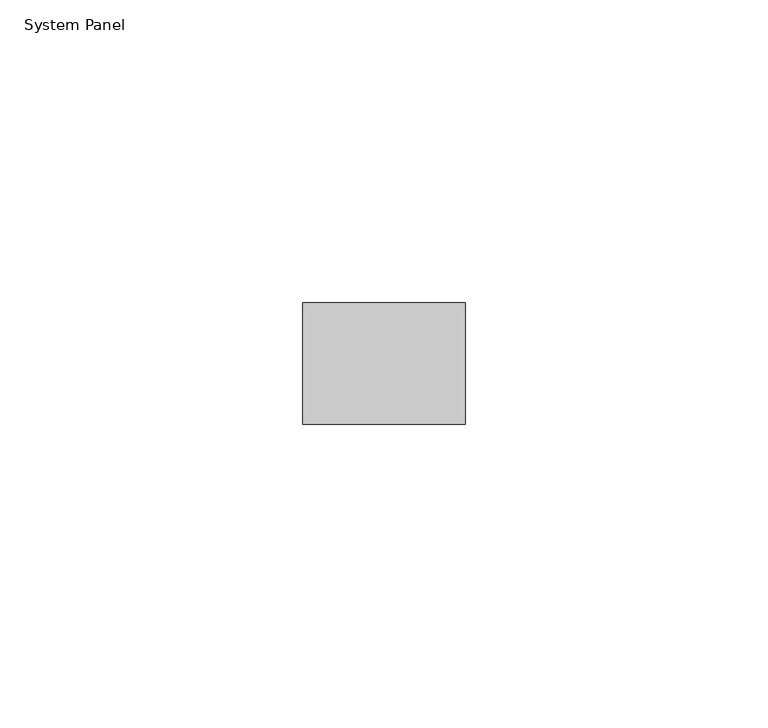
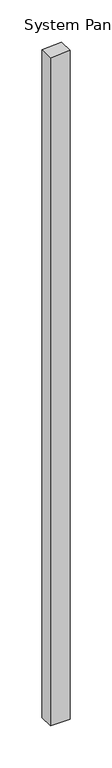
"""IFC4 building model written with IfcOpenShell, lengths in millimetres: plate geometry, System Panel."""

from ifc_helpers import new_model, si_unit, frame, origin, place, context, project, spatial, polyline, outline, extrude, source, transform, mapped, element, save


def system_panel_7bc6e373(model_context):
    return source(origin(), model_context, "Body", "SweptSolid", [
        extrude(outline(polyline([(0.0, -13.3892805), (0.0, 13.3892805), (969.8626085, 13.3892805), (967.8915769, -13.3892805), (0.0, -13.3892805)])), frame((0.0, -10.0, 0.0), z_axis=(0.0, 1.0, 0.0), x_axis=(0.0, 0.0, 1.0)), (0.0, 0.0, 1.0), 20.0),
    ])


if __name__ == "__main__":
    model = new_model("IFC4")
    model_context = context("Model", 3, world=origin())
    ifc_project = project(units=[si_unit("LENGTHUNIT", "METRE", prefix="MILLI")], contexts=[model_context])
    site = spatial("IfcSite", under=ifc_project)
    building = spatial("IfcBuilding", under=site)
    placement = place(None, origin())
    system_panel_shape = system_panel_7bc6e373(model_context)
    element("IfcPlate", 1, ObjectType="System Panel", at=placement, inside=building, context=model_context, shape_type="MappedRepresentation", body=[
        mapped(system_panel_shape, transform((0.0, 0.0, 0.0), x_axis=(1.0, 0.0, 0.0), y_axis=(0.0, 1.0, 0.0), z_axis=(0.0, 0.0, 1.0))),
    ])
    save(model, "model.ifc")
